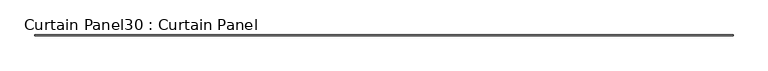
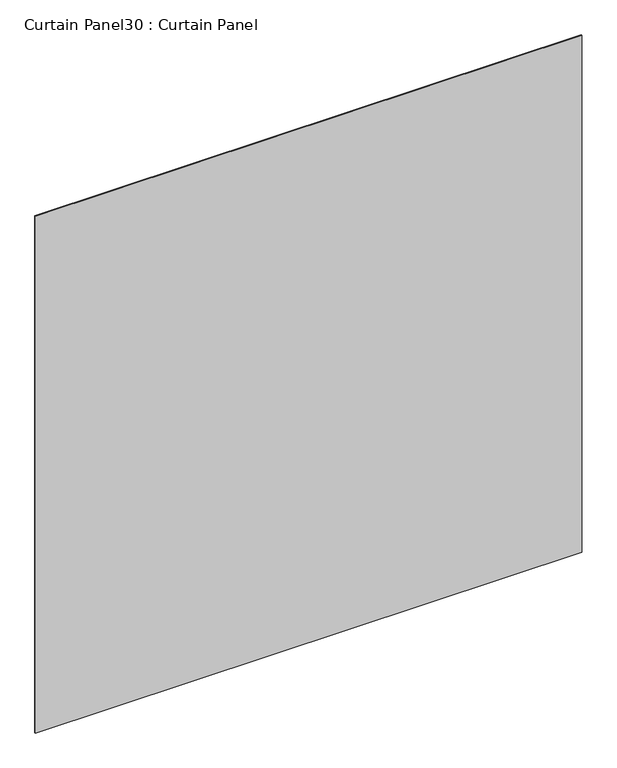
"""IFC4 building model written with IfcOpenShell, lengths in millimetres: plate geometry, Curtain Panel30 : Curtain Panel."""

from ifc_helpers import new_model, si_unit, frame, origin, place, context, project, spatial, polyline, outline, extrude, source, transform, mapped, element, save


def curtain_panel30_curtain_panel_17267f27(model_context):
    return source(origin(), model_context, "Body", "SweptSolid", [
        extrude(outline(polyline([(427824.2113429, 2929.1815705), (421785.4565929, 2929.1815705), (421785.4565929, 2935.5315705), (427824.2113429, 2935.5315705), (427824.2113429, 2929.1815705)])), frame((0.0, 0.0, 9282.5795414), z_axis=(0.0, 0.0, 1.0), x_axis=(1.0, 0.0, 0.0)), (0.0, 0.0, 1.0), 6038.85),
    ])


if __name__ == "__main__":
    model = new_model("IFC4")
    model_context = context("Model", 3, world=origin())
    ifc_project = project(units=[si_unit("LENGTHUNIT", "METRE", prefix="MILLI")], contexts=[model_context])
    site = spatial("IfcSite", under=ifc_project)
    building = spatial("IfcBuilding", under=site)
    placement = place(None, origin())
    curtain_panel30_curtain_panel_shape = curtain_panel30_curtain_panel_17267f27(model_context)
    element("IfcPlate", 1, ObjectType="Curtain Panel30 : Curtain Panel", at=placement, inside=building, context=model_context, shape_type="MappedRepresentation", body=[
        mapped(curtain_panel30_curtain_panel_shape, transform((0.0, 0.0, 0.0), x_axis=(1.0, 0.0, 0.0), y_axis=(0.0, 1.0, 0.0), z_axis=(0.0, 0.0, 1.0))),
    ])
    save(model, "model.ifc")
